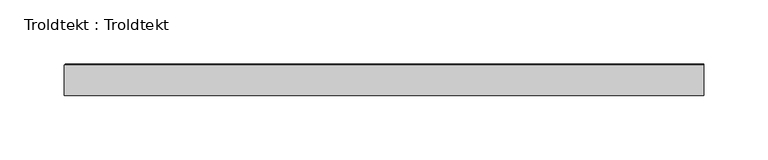
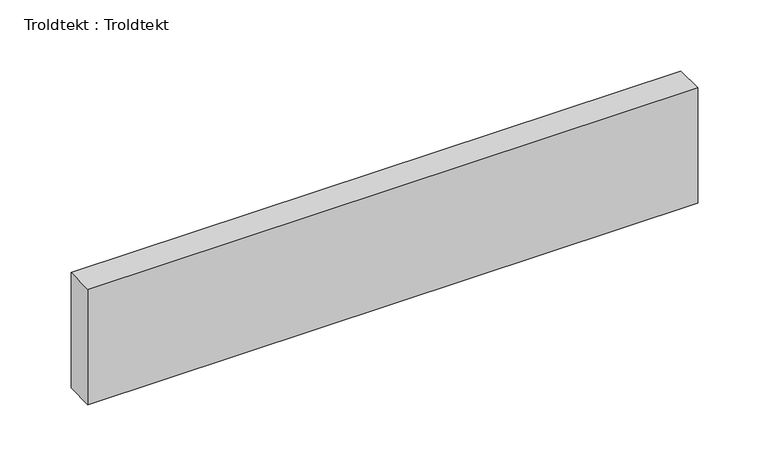
"""IFC4 building model written with IfcOpenShell, lengths in millimetres: proxy geometry, Troldtekt : Troldtekt."""

from ifc_helpers import new_model, si_unit, origin, place, context, project, spatial, faceted_brep, source, transform, mapped, element, save


def troldtekt_troldtekt_9bab7225(model_context):
    return source(origin(), model_context, "Body", "Brep", [
        faceted_brep([(-300.0, -12.5, 100.0), (199.9999997, -12.5, 100.0), (199.9999997, 11.495044, 100.0), (-300.0, 11.495044, 100.0), (199.9999997, -12.5, 0.0), (-300.0, -12.5, 0.0), (-300.0, 11.495044, 0.0), (199.9999997, 11.495044, 0.0), (199.9999997, 12.5, 98.995044), (199.9999997, 12.5, 1.004956), (-298.995044, 12.5, 1.004956), (-298.995044, 12.5, 98.995044)], [[[0, 1, 2, 3]], [[4, 5, 6, 7]], [[8, 9, 10, 11]], [[5, 0, 3, 6]], [[1, 0, 5, 4]], [[1, 4, 7, 9, 8, 2]], [[10, 6, 3, 11]], [[6, 10, 9, 7]], [[11, 3, 2, 8]]]),
    ])


if __name__ == "__main__":
    model = new_model("IFC4")
    model_context = context("Model", 3, world=origin())
    ifc_project = project(units=[si_unit("LENGTHUNIT", "METRE", prefix="MILLI")], contexts=[model_context])
    site = spatial("IfcSite", under=ifc_project)
    building = spatial("IfcBuilding", under=site)
    placement = place(None, origin())
    troldtekt_troldtekt_shape = troldtekt_troldtekt_9bab7225(model_context)
    element("IfcBuildingElementProxy", 1, Name="Troldtekt : Troldtekt", ObjectType="Troldtekt : Troldtekt", at=placement, inside=building, context=model_context, shape_type="MappedRepresentation", body=[
        mapped(troldtekt_troldtekt_shape, transform((0.0, 0.0, 0.0), x_axis=(1.0, 0.0, 0.0), y_axis=(0.0, 1.0, 0.0), z_axis=(0.0, 0.0, 1.0))),
    ])
    save(model, "model.ifc")
